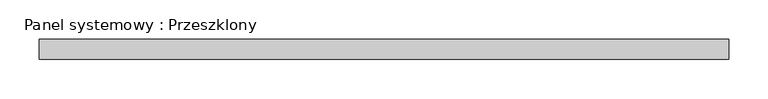
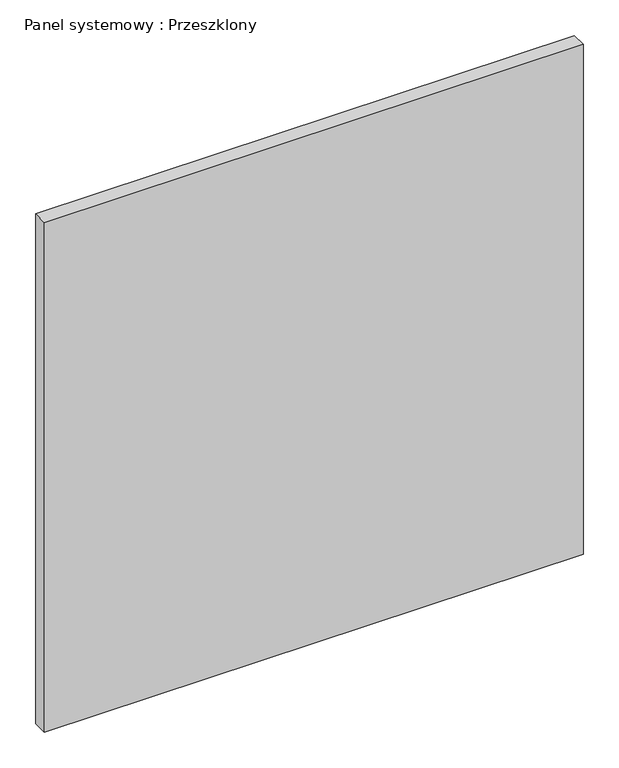
"""IFC4 building model written with IfcOpenShell, lengths in millimetres: plate geometry, Panel systemowy : Przeszklony."""

from ifc_helpers import new_model, si_unit, origin, origin_with_axes, place, context, project, spatial, polyline, outline, extrude, source, transform, mapped, element, save


def panel_systemowy_przeszklony_540c775c(model_context):
    return source(origin(), model_context, "Body", "SweptSolid", [
        extrude(outline(polyline([(437.5, 24.5), (-437.5, 24.5), (-437.5, 49.5), (437.5, 49.5), (437.5, 24.5)])), origin_with_axes(), (0.0, 0.0, 1.0), 875.0),
    ])


if __name__ == "__main__":
    model = new_model("IFC4")
    model_context = context("Model", 3, world=origin())
    ifc_project = project(units=[si_unit("LENGTHUNIT", "METRE", prefix="MILLI")], contexts=[model_context])
    site = spatial("IfcSite", under=ifc_project)
    building = spatial("IfcBuilding", under=site)
    placement = place(None, origin())
    panel_systemowy_przeszklony_shape = panel_systemowy_przeszklony_540c775c(model_context)
    element("IfcPlate", 1, ObjectType="Panel systemowy : Przeszklony", at=placement, inside=building, context=model_context, shape_type="MappedRepresentation", body=[
        mapped(panel_systemowy_przeszklony_shape, transform((0.0, 0.0, 0.0), x_axis=(1.0, 0.0, 0.0), y_axis=(0.0, 1.0, 0.0), z_axis=(0.0, 0.0, 1.0))),
    ])
    save(model, "model.ifc")
